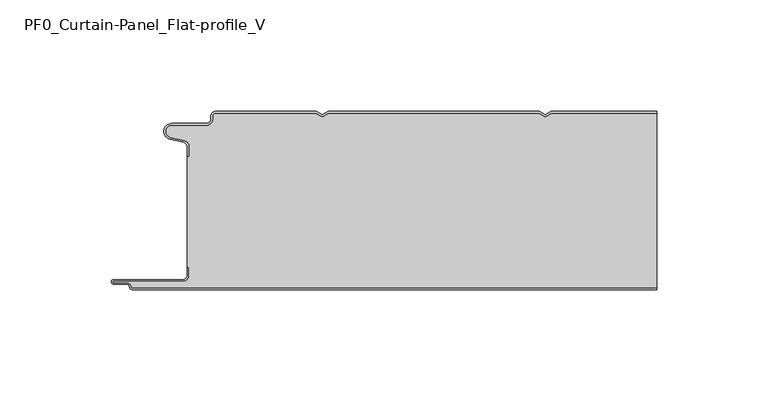
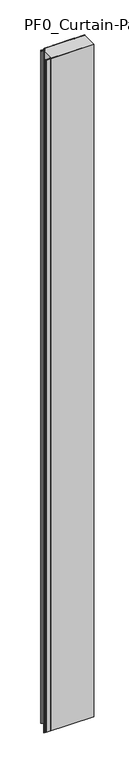
"""IFC4 building model written with IfcOpenShell, lengths in millimetres: plate geometry, PF0_Curtain-Panel_Flat-profile_V."""

from ifc_helpers import new_model, si_unit, point, frame_2d, origin, origin_with_axes, place, context, project, spatial, polyline, circle_curve, trimmed, segment, composite_curve, outline, extrude, source, transform, mapped, element, save


def pf0_curtain_panel_flat_profile_v_4cd17bf9(model_context):
    return source(origin(), model_context, "Body", "SweptSolid", [
        extrude(outline(composite_curve([segment(trimmed(circle_curve(frame_2d((-102.0, -15.878557)), 2.0), [point((-100.0, -15.878557))], [point((-101.5500978, -13.9298169))], True, "CARTESIAN"), True, "CONTINUOUS"), segment(polyline([(-101.5500978, -13.9298169), (-107.7098239, -12.507732)]), True, "CONTINUOUS"), segment(trimmed(circle_curve(frame_2d((-106.9, -9.0)), 3.6), [point((-107.7098239, -12.507732))], [point((-106.9, -5.4))], False, "CARTESIAN"), True, "CONTINUOUS"), segment(polyline([(-106.9, -5.4), (-91.4, -5.4)]), True, "CONTINUOUS"), segment(trimmed(circle_curve(frame_2d((-91.4, -3.4)), 2.0), [point((-91.4, -5.4))], [point((-89.4, -3.4))], True, "CARTESIAN"), True, "CONTINUOUS"), segment(polyline([(-89.4, -3.4), (-89.4, -2.0)]), True, "CONTINUOUS"), segment(trimmed(circle_curve(frame_2d((-87.4, -2.0)), 2.0), [point((-89.4, -2.0))], [point((-87.4, 0.0))], False, "CARTESIAN"), True, "CONTINUOUS"), segment(polyline([(-87.4, 0.0), (-42.0999995, 0.0), (-39.4, -1.5588455), (-36.7000005, 0.0), (57.9000005, 0.0), (60.6, -1.5588455), (63.2999995, 0.0), (110.6, 0.0), (110.6, -0.8), (63.5143588, -0.8), (60.6, -2.482606), (57.6856412, -0.8), (-36.4856412, -0.8), (-39.4, -2.482606), (-42.3143588, -0.8), (-87.4, -0.8)]), True, "CONTINUOUS"), segment(trimmed(circle_curve(frame_2d((-87.4, -2.0)), 1.2), [point((-87.4, -0.8))], [point((-88.6, -2.0))], True, "CARTESIAN"), True, "CONTINUOUS"), segment(polyline([(-88.6, -2.0), (-88.6, -3.4)]), True, "CONTINUOUS"), segment(trimmed(circle_curve(frame_2d((-91.4, -3.4)), 2.8), [point((-88.6, -3.4))], [point((-91.4, -6.2))], False, "CARTESIAN"), True, "CONTINUOUS"), segment(polyline([(-91.4, -6.2), (-106.9, -6.2)]), True, "CONTINUOUS"), segment(trimmed(circle_curve(frame_2d((-106.9, -9.0)), 2.8), [point((-106.9, -6.2))], [point((-107.529863, -11.7282362))], True, "CARTESIAN"), True, "CONTINUOUS"), segment(polyline([(-107.529863, -11.7282362), (-101.370137, -13.150321)]), True, "CONTINUOUS"), segment(trimmed(circle_curve(frame_2d((-102.0, -15.878557)), 2.8), [point((-101.370137, -13.150321))], [point((-99.2, -15.878557))], False, "CARTESIAN"), True, "CONTINUOUS"), segment(polyline([(-99.2, -15.878557), (-99.2, -20.0), (-100.0, -20.0), (-100.0, -15.878557)]), True, "CONTINUOUS")], self_intersect=False)), origin_with_axes(), (0.0, 0.0, 1.0), 3500.0),
        extrude(outline(composite_curve([segment(polyline([(-99.2, -70.0), (-100.0, -70.0), (-100.0, -20.0), (-99.2, -20.0), (-99.2, -15.878557)]), True, "CONTINUOUS"), segment(trimmed(circle_curve(frame_2d((-102.0, -15.878557)), 2.8), [point((-99.2, -15.878557))], [point((-101.370137, -13.1503208))], True, "CARTESIAN"), True, "CONTINUOUS"), segment(polyline([(-101.370137, -13.1503208), (-107.529863, -11.7282362)]), True, "CONTINUOUS"), segment(trimmed(circle_curve(frame_2d((-106.9, -9.0)), 2.8), [point((-107.529863, -11.7282362))], [point((-106.9, -6.2))], False, "CARTESIAN"), True, "CONTINUOUS"), segment(polyline([(-106.9, -6.2), (-91.4, -6.2)]), True, "CONTINUOUS"), segment(trimmed(circle_curve(frame_2d((-91.4, -3.4)), 2.8), [point((-91.4, -6.2))], [point((-88.6, -3.4))], True, "CARTESIAN"), True, "CONTINUOUS"), segment(polyline([(-88.6, -3.4), (-88.6, -2.0)]), True, "CONTINUOUS"), segment(trimmed(circle_curve(frame_2d((-87.4, -2.0)), 1.2), [point((-88.6, -2.0))], [point((-87.4, -0.8))], False, "CARTESIAN"), True, "CONTINUOUS"), segment(polyline([(-87.4, -0.8), (-42.3143588, -0.8), (-39.4, -2.482606), (-36.4856412, -0.8), (57.6856412, -0.8), (60.6, -2.482606), (63.5143588, -0.8), (110.6, -0.8), (110.6, -79.2), (-124.4, -79.2)]), True, "CONTINUOUS"), segment(trimmed(circle_curve(frame_2d((-124.4, -78.4)), 0.8), [point((-124.4, -79.2))], [point((-125.2, -78.4))], False, "CARTESIAN"), True, "CONTINUOUS"), segment(trimmed(circle_curve(frame_2d((-126.9, -78.6133333)), 1.7133333), [point((-125.2, -78.4))], [point((-126.9, -76.9))], True, "CARTESIAN"), True, "CONTINUOUS"), segment(polyline([(-126.9, -76.9), (-132.8700312, -76.9)]), True, "CONTINUOUS"), segment(trimmed(circle_curve(frame_2d((-132.8700312, -76.6)), 0.3), [point((-132.8700312, -76.9))], [point((-132.8700312, -76.3))], False, "CARTESIAN"), True, "CONTINUOUS"), segment(polyline([(-132.8700312, -76.3), (-102.0, -76.3)]), True, "CONTINUOUS"), segment(trimmed(circle_curve(frame_2d((-102.0, -73.5)), 2.8), [point((-102.0, -76.3))], [point((-99.2, -73.5))], True, "CARTESIAN"), True, "CONTINUOUS"), segment(polyline([(-99.2, -73.5), (-99.2, -70.0)]), True, "CONTINUOUS")], self_intersect=False)), origin_with_axes(), (0.0, 0.0, 1.0), 3500.0),
        extrude(outline(composite_curve([segment(polyline([(-100.0, -70.0), (-99.2, -70.0), (-99.2, -73.5)]), True, "CONTINUOUS"), segment(trimmed(circle_curve(frame_2d((-102.0, -73.5)), 2.8), [point((-99.2, -73.5))], [point((-102.0, -76.3))], False, "CARTESIAN"), True, "CONTINUOUS"), segment(polyline([(-102.0, -76.3), (-132.8700312, -76.3)]), True, "CONTINUOUS"), segment(trimmed(circle_curve(frame_2d((-132.8700312, -76.6)), 0.3), [point((-132.8700312, -76.3))], [point((-132.8700312, -76.9))], True, "CARTESIAN"), True, "CONTINUOUS"), segment(polyline([(-132.8700312, -76.9), (-126.9, -76.9)]), True, "CONTINUOUS"), segment(trimmed(circle_curve(frame_2d((-126.9, -78.6133333)), 1.7133333), [point((-126.9, -76.9))], [point((-125.2, -78.4))], False, "CARTESIAN"), True, "CONTINUOUS"), segment(trimmed(circle_curve(frame_2d((-124.4, -78.4)), 0.8), [point((-125.2, -78.4))], [point((-124.4, -79.2))], True, "CARTESIAN"), True, "CONTINUOUS"), segment(polyline([(-124.4, -79.2), (110.6, -79.2), (110.6, -80.0), (-124.4, -80.0)]), True, "CONTINUOUS"), segment(trimmed(circle_curve(frame_2d((-124.4, -78.4)), 1.6), [point((-124.4, -80.0))], [point((-126.0, -78.4))], False, "CARTESIAN"), True, "CONTINUOUS"), segment(trimmed(circle_curve(frame_2d((-126.9, -78.4)), 0.9), [point((-126.0, -78.4))], [point((-126.9, -77.5))], True, "CARTESIAN"), True, "CONTINUOUS"), segment(polyline([(-126.9, -77.5), (-133.0, -77.5)]), True, "CONTINUOUS"), segment(trimmed(circle_curve(frame_2d((-133.0, -76.5)), 1.0), [point((-133.0, -77.5))], [point((-133.0, -75.5))], False, "CARTESIAN"), True, "CONTINUOUS"), segment(polyline([(-133.0, -75.5), (-102.0, -75.5)]), True, "CONTINUOUS"), segment(trimmed(circle_curve(frame_2d((-102.0, -73.5)), 2.0), [point((-102.0, -75.5))], [point((-100.0, -73.5))], True, "CARTESIAN"), True, "CONTINUOUS"), segment(polyline([(-100.0, -73.5), (-100.0, -70.0)]), True, "CONTINUOUS")], self_intersect=False)), origin_with_axes(), (0.0, 0.0, 1.0), 3500.0),
    ])


if __name__ == "__main__":
    model = new_model("IFC4")
    model_context = context("Model", 3, world=origin())
    ifc_project = project(units=[si_unit("LENGTHUNIT", "METRE", prefix="MILLI")], contexts=[model_context])
    site = spatial("IfcSite", under=ifc_project)
    building = spatial("IfcBuilding", under=site)
    placement = place(None, origin())
    pf0_curtain_panel_flat_profile_v_shape = pf0_curtain_panel_flat_profile_v_4cd17bf9(model_context)
    element("IfcPlate", 1, ObjectType="PF0_Curtain-Panel_Flat-profile_V", at=placement, inside=building, context=model_context, shape_type="MappedRepresentation", body=[
        mapped(pf0_curtain_panel_flat_profile_v_shape, transform((0.0, 0.0, 0.0), x_axis=(1.0, 0.0, 0.0), y_axis=(0.0, 1.0, 0.0), z_axis=(0.0, 0.0, 1.0))),
    ])
    save(model, "model.ifc")
